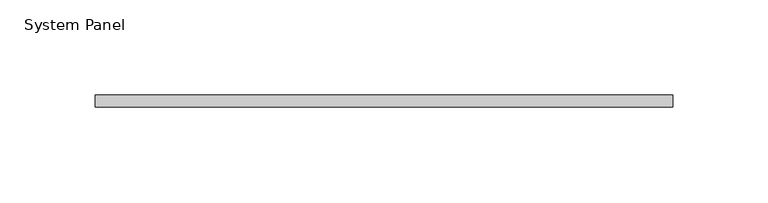
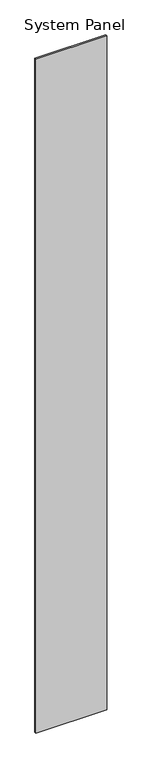
"""IFC4 building model written with IfcOpenShell, lengths in millimetres: plate geometry, System Panel."""

from ifc_helpers import new_model, si_unit, origin, origin_with_axes, place, context, project, spatial, polyline, outline, extrude, source, transform, mapped, element, save


def system_panel_d4e1a2d0(model_context):
    return source(origin(), model_context, "Body", "SweptSolid", [
        extrude(outline(polyline([(151.7676649, 0.0), (-151.7676649, 0.0), (-151.7676649, 6.35), (151.7676649, 6.35), (151.7676649, 0.0)])), origin_with_axes(), (0.0, 0.0, 1.0), 3048.0),
    ])


if __name__ == "__main__":
    model = new_model("IFC4")
    model_context = context("Model", 3, world=origin())
    ifc_project = project(units=[si_unit("LENGTHUNIT", "METRE", prefix="MILLI")], contexts=[model_context])
    site = spatial("IfcSite", under=ifc_project)
    building = spatial("IfcBuilding", under=site)
    placement = place(None, origin())
    system_panel_shape = system_panel_d4e1a2d0(model_context)
    element("IfcPlate", 1, ObjectType="System Panel", at=placement, inside=building, context=model_context, shape_type="MappedRepresentation", body=[
        mapped(system_panel_shape, transform((0.0, 0.0, 0.0), x_axis=(1.0, 0.0, 0.0), y_axis=(0.0, 1.0, 0.0), z_axis=(0.0, 0.0, 1.0))),
    ])
    save(model, "model.ifc")
